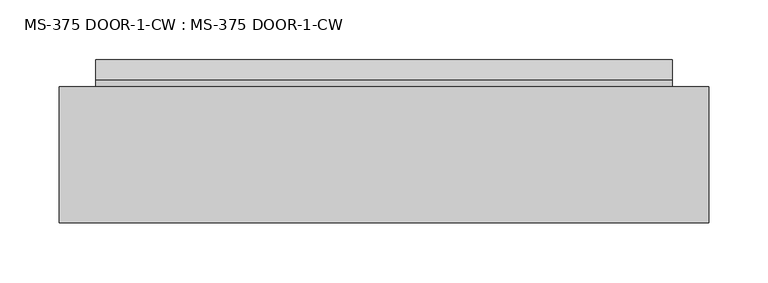
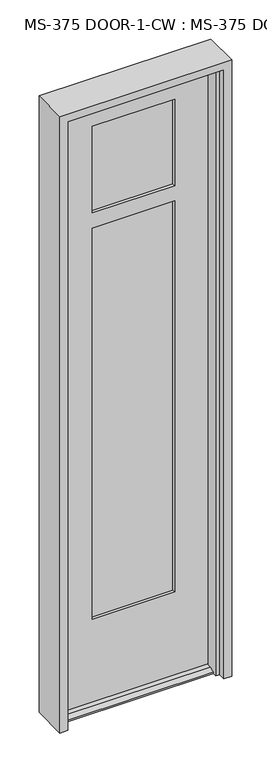
"""IFC4 building model written with IfcOpenShell, lengths in millimetres: plate geometry, MS-375 DOOR-1-CW : MS-375 DOOR-1-CW."""

import ifcopenshell
import ifcopenshell.guid

model = None  # the IFC model being written
_history = None  # IfcOwnerHistory: only IFC2X3 demands one
_inside = {}  # id of a spatial element -> (the spatial element, [elements in it])
_under = {}  # id of a project, library or spatial element -> (it, [spatial elements below it])
_declared = {}  # id of a project -> (the project, [libraries it declares])
_typed = {}  # id of a type object -> (the type object, [elements of that type])
_made_of = {}  # id of a material, layer set ... -> (it, [elements and type objects made of it])


def new_model(schema):
    """Start an empty IFC model of exactly this schema.

    Asked for "IFC4X3", IfcOpenShell would pick the latest addendum, in which some entities
    have other attributes; the version numbers below select the first issue.
    IFC2X3 requires an IfcOwnerHistory on every rooted entity: one is made here for all.
    """
    global model, _history
    if schema == "IFC4X3":
        model = ifcopenshell.file(schema_version=(4, 3, 0, 0))
    else:
        model = ifcopenshell.file(schema=schema)
    _inside.clear()
    _under.clear()
    _declared.clear()
    _typed.clear()
    _made_of.clear()
    _history = None
    if model.schema == "IFC2X3":
        org = make("IfcOrganization", Name="unknown")
        user = make(
            "IfcPersonAndOrganization",
            ThePerson=make("IfcPerson", FamilyName="unknown"),
            TheOrganization=org,
        )
        app = make(
            "IfcApplication",
            ApplicationDeveloper=org,
            Version="unknown",
            ApplicationFullName="unknown",
            ApplicationIdentifier="unknown",
        )
        _history = make(
            "IfcOwnerHistory",
            OwningUser=user,
            OwningApplication=app,
            ChangeAction="ADDED",
            CreationDate=0,
        )
    return model


def make(cls, **values):
    """One entity of the class cls with the attributes given. An attribute that is None is left unset."""
    return model.create_entity(
        cls, **{name: value for name, value in values.items() if value is not None}
    )


def rooted(cls, **values):
    """An entity with a GlobalId (a new one), such as an element, a storey or a relation."""
    return make(cls, GlobalId=ifcopenshell.guid.new(), OwnerHistory=_history, **values)


def si_unit(unit_type, name, prefix=None):
    """IfcSIUnit, for example si_unit("LENGTHUNIT", "METRE", prefix="MILLI")."""
    return make("IfcSIUnit", UnitType=unit_type, Prefix=prefix, Name=name)


def assignment(units):
    """IfcUnitAssignment: the units of a project."""
    return None if units is None else make("IfcUnitAssignment", Units=units)


def point(xyz):
    """IfcCartesianPoint."""
    return None if xyz is None else make("IfcCartesianPoint", Coordinates=xyz)


def direction(xyz):
    """IfcDirection."""
    return None if xyz is None else make("IfcDirection", DirectionRatios=xyz)


def frame(location, z_axis=None, x_axis=None):
    """IfcAxis2Placement3D, a coordinate frame: its origin and axes. An axis left out is left unset."""
    return make(
        "IfcAxis2Placement3D",
        Location=point(location),
        Axis=direction(z_axis),
        RefDirection=direction(x_axis),
    )


def origin():
    """The frame at (0, 0, 0) with its axes left unset."""
    return frame((0.0, 0.0, 0.0))


def place(relative_to, where):
    """IfcLocalPlacement: puts the frame where relative to a parent placement (None: the world)."""
    return make(
        "IfcLocalPlacement", PlacementRelTo=relative_to, RelativePlacement=where
    )


def context(
    kind, dimensions, precision=None, world=None, true_north=None, identifier=None
):
    """IfcGeometricRepresentationContext, for example the 3D "Model" context."""
    return make(
        "IfcGeometricRepresentationContext",
        ContextIdentifier=identifier,
        ContextType=kind,
        CoordinateSpaceDimension=dimensions,
        Precision=precision,
        WorldCoordinateSystem=world,
        TrueNorth=true_north,
    )


def project(units=None, contexts=None):
    """IfcProject with its units and contexts."""
    return rooted(
        "IfcProject",
        Name="project",
        RepresentationContexts=contexts,
        UnitsInContext=assignment(units),
    )


def spatial(cls, under=None, at=None, **own):
    """A site, building, storey or space (cls), placed at a placement, below another one or the project."""
    s = rooted(cls, ObjectPlacement=at, **own)
    if under is not None:
        _under.setdefault(under.id(), (under, []))[1].append(s)
    return s


def polyline(points):
    """IfcPolyline through the points."""
    return make("IfcPolyline", Points=[point(p) for p in points])


def outline(outer, holes=None, kind="AREA"):
    """IfcArbitraryClosedProfileDef: a profile drawn as a closed curve; with holes, ...WithVoids."""
    if holes is None:
        return make("IfcArbitraryClosedProfileDef", ProfileType=kind, OuterCurve=outer)
    return make(
        "IfcArbitraryProfileDefWithVoids",
        ProfileType=kind,
        OuterCurve=outer,
        InnerCurves=holes,
    )


def extrude(swept, where, along, depth):
    """IfcExtrudedAreaSolid: the profile swept, set in the frame where, extruded along a direction by depth."""
    return make(
        "IfcExtrudedAreaSolid",
        SweptArea=swept,
        Position=where,
        ExtrudedDirection=direction(along),
        Depth=depth,
    )


def faces_of(points, faces, orient=None, outer=None):
    """IfcFace entities. A face is a list of loops; a loop is a list of indices into points, from 0.

    orient and outer hold one flag for each loop. By default every Orientation is true, the
    first loop of a face is its IfcFaceOuterBound and the others are IfcFaceBound.
    """
    made = []
    for i, loops in enumerate(faces):
        bounds = []
        for j, loop in enumerate(loops):
            is_outer = j == 0 if outer is None else outer[i][j]
            bounds.append(
                make(
                    "IfcFaceOuterBound" if is_outer else "IfcFaceBound",
                    Bound=make("IfcPolyLoop", Polygon=[points[k] for k in loop]),
                    Orientation=True if orient is None else orient[i][j],
                )
            )
        made.append(make("IfcFace", Bounds=bounds))
    return made


def faceted_brep(points, faces, orient=None, outer=None, voids=None):
    """IfcFacetedBrep: a solid bounded by flat faces; with voids (closed shells), ...WithVoids."""
    shared = [point(p) for p in points]
    hull = make("IfcClosedShell", CfsFaces=faces_of(shared, faces, orient, outer))
    if voids is None:
        return make("IfcFacetedBrep", Outer=hull)
    return make(
        "IfcFacetedBrepWithVoids",
        Outer=hull,
        Voids=[
            make(cls, CfsFaces=faces_of(shared, fs, o, b)) for cls, fs, o, b in voids
        ],
    )


def shape(context_of_items, identifier, shape_type, items):
    """IfcShapeRepresentation: the items that make up one representation, for example the "Body"."""
    return make(
        "IfcShapeRepresentation",
        ContextOfItems=context_of_items,
        RepresentationIdentifier=identifier,
        RepresentationType=shape_type,
        Items=items,
    )


def source(mapping_origin, context_of_items, identifier, shape_type, items):
    """IfcRepresentationMap: a shape defined once, which mapped items show again and again."""
    return make(
        "IfcRepresentationMap",
        MappingOrigin=mapping_origin,
        MappedRepresentation=shape(context_of_items, identifier, shape_type, items),
    )


def transform(
    local_origin,
    x_axis=None,
    y_axis=None,
    z_axis=None,
    scale=None,
    scale2=None,
    scale3=None,
    uniform=True,
):
    """IfcCartesianTransformationOperator3D, or its non-uniform kind. x_axis, y_axis, z_axis: its Axis1, 2, 3."""
    if uniform:
        return make(
            "IfcCartesianTransformationOperator3D",
            Axis1=direction(x_axis),
            Axis2=direction(y_axis),
            LocalOrigin=point(local_origin),
            Scale=scale,
            Axis3=direction(z_axis),
        )
    return make(
        "IfcCartesianTransformationOperator3DnonUniform",
        Axis1=direction(x_axis),
        Axis2=direction(y_axis),
        LocalOrigin=point(local_origin),
        Scale=scale,
        Axis3=direction(z_axis),
        Scale2=scale2,
        Scale3=scale3,
    )


def mapped(mapping_source, mapping_target):
    """IfcMappedItem: shows the shape of a source again, moved by a transform."""
    return make(
        "IfcMappedItem", MappingSource=mapping_source, MappingTarget=mapping_target
    )


def made_of(thing, what):
    """Note that an element or type object is made of a material, layer set ...; save() writes the relation."""
    if what is not None:
        _made_of.setdefault(what.id(), (what, []))[1].append(thing)
    return thing


def element(
    cls,
    number,
    at=None,
    inside=None,
    cuts=None,
    type_object=None,
    material=None,
    context=None,
    identifier="Body",
    shape_type=None,
    held_by="IfcProductDefinitionShape",
    body=None,
    shapes=None,
    **own,
):
    """One element of the class cls, such as IfcWall. Its Tag is "e" and its number.

    at: its placement. inside: the storey or other place that contains it. cuts: it is an
    opening in that element (IfcRelVoidsElement). A single representation is given by context,
    identifier, shape_type and body (its items); several are given by shapes. held_by: the class
    of the entity that holds the representations. save() writes the other relations.
    """
    e = rooted(cls, Tag="e%d" % number, ObjectPlacement=at, **own)
    if body is not None:
        shapes = [shape(context, identifier, shape_type, body)]
    if shapes is not None:
        e.Representation = make(held_by, Representations=shapes)
    if inside is not None:
        _inside.setdefault(inside.id(), (inside, []))[1].append(e)
    if cuts is not None:
        rooted(
            "IfcRelVoidsElement", RelatingBuildingElement=cuts, RelatedOpeningElement=e
        )
    if type_object is not None:
        _typed.setdefault(type_object.id(), (type_object, []))[1].append(e)
    return made_of(e, material)


def aggregate(whole, parts):
    """IfcRelAggregates: a whole, such as a stair, and the parts it consists of."""
    return rooted("IfcRelAggregates", RelatingObject=whole, RelatedObjects=parts)


def save(model, path):
    """Write the relations noted so far, then the file.

    IfcRelAggregates (storeys below a building ...), IfcRelContainedInSpatialStructure (elements
    in a storey), IfcRelDefinesByType, IfcRelAssociatesMaterial and IfcRelDeclares: one each for
    every whole, place, type object, material and project.
    """
    for whole, parts in _under.values():
        aggregate(whole, parts)
    for where, things in _inside.values():
        rooted(
            "IfcRelContainedInSpatialStructure",
            RelatedElements=things,
            RelatingStructure=where,
        )
    for kind, things in _typed.values():
        rooted("IfcRelDefinesByType", RelatedObjects=things, RelatingType=kind)
    for what, things in _made_of.values():
        rooted("IfcRelAssociatesMaterial", RelatedObjects=things, RelatingMaterial=what)
    for by, libraries in _declared.values():
        rooted("IfcRelDeclares", RelatingContext=by, RelatedDefinitions=libraries)
    model.write(path)


def ms_375_door_1_cw_ms_375_door_1_cw_cf33dda2(model_context):
    return source(origin(), model_context, "Body", "SolidModel", [
        faceted_brep([(242.62183, -45.24375, 12.7), (242.62183, -61.8934954, 12.7), (242.62183, -78.5813408, 4.9183299), (242.62183, -78.5813408, 0.0003044), (242.62183, -45.24375, 0.0003044), (242.62183, 23.01875, 0.0003044), (242.62183, 23.01875, 4.9183299), (242.62183, 6.3309046, 12.7), (242.62183, -0.79375, 12.7), (242.62183, -0.79375, 0.0003044), (-242.37847, -0.79375, 12.7), (-242.37847, 6.3309046, 12.7), (-242.37847, 23.01875, 4.9183299), (-242.37847, 23.01875, 0.0003044), (-242.37847, -0.79375, 0.0003044), (-242.37847, -78.5813408, 0.0003044), (-242.37847, -78.5813408, 4.9183299), (-242.37847, -61.8934954, 12.7), (-242.37847, -45.24375, 12.7), (-242.37847, -45.24375, 0.0003044), (245.39043, -45.24375, 2041.9314), (242.62183, -0.79375, 2041.9314), (-245.14707, -0.79375, 2041.9314), (-242.37847, -45.24375, 2041.9314), (131.09043, -0.79375, 1945.88765), (131.09043, -10.31875, 1945.88765), (-130.84707, -10.31875, 1945.88765), (-130.84707, -0.79375, 1945.88765), (138.23418, -10.31875, 1953.0314), (138.23418, -35.71875, 1953.0314), (-137.99082, -35.71875, 1953.0314), (-137.99082, -10.31875, 1953.0314), (131.09043, -35.71875, 1945.88765), (131.09043, -45.24375, 1945.88765), (-130.84707, -45.24375, 1945.88765), (-130.84707, -35.71875, 1945.88765), (138.23418, -35.71875, 1611.7189), (-137.99082, -35.71875, 1611.7189), (-137.99082, -10.31875, 1611.7189), (138.23418, -10.31875, 1611.7189), (-130.84707, -0.79375, 1604.57515), (131.09043, -0.79375, 1604.57515), (131.09043, -10.31875, 1604.57515), (-130.84707, -10.31875, 1604.57515), (131.09043, -0.79375, 1655.37515), (-130.84707, -0.79375, 1655.37515), (-130.84707, -10.31875, 1655.37515), (131.09043, -10.31875, 1655.37515), (-137.99082, -35.71875, 1648.2314), (138.23418, -35.71875, 1648.2314), (138.23418, -10.31875, 1648.2314), (-137.99082, -10.31875, 1648.2314), (131.09043, -35.71875, 1655.37515), (-130.84707, -35.71875, 1655.37515), (-130.84707, -45.24375, 1655.37515), (131.09043, -45.24375, 1655.37515), (-130.84707, -35.71875, 1604.57515), (131.09043, -35.71875, 1604.57515), (131.09043, -45.24375, 1604.57515), (-130.84707, -45.24375, 1604.57515), (138.23418, -35.71875, 283.36875), (138.23418, -10.31875, 283.36875), (-137.99082, -10.31875, 283.36875), (-137.99082, -35.71875, 283.36875), (-130.84707, -35.71875, 290.5125), (131.09043, -35.71875, 290.5125), (131.09043, -45.24375, 290.5125), (-130.84707, -45.24375, 290.5125), (245.39043, -45.24375, 0.0), (-245.14707, -0.79375, 0.0003044), (-130.84707, -0.79375, 290.5125), (131.09043, -0.79375, 290.5125), (131.09043, -10.31875, 290.5125), (-130.84707, -10.31875, 290.5125)], [[[0, 1, 2, 3, 4]], [[5, 6, 7, 8, 9]], [[10, 11, 12, 13, 14]], [[15, 16, 17, 18, 19]], [[20, 21, 22, 23]], [[24, 25, 26, 27]], [[28, 29, 30, 31]], [[32, 33, 34, 35]], [[36, 37, 38, 39]], [[40, 41, 42, 43]], [[44, 45, 46, 47]], [[48, 49, 50, 51]], [[52, 53, 54, 55]], [[56, 57, 58, 59]], [[60, 61, 62, 63]], [[30, 29, 49, 48], [32, 35, 53, 52]], [[60, 63, 37, 36], [64, 65, 57, 56]], [[66, 65, 64, 67]], [[68, 20, 23, 18, 0, 4], [34, 33, 55, 54], [67, 59, 58, 66]], [[1, 0, 18, 17]], [[2, 1, 17, 16]], [[3, 2, 16, 15]], [[3, 15, 19, 69, 14, 13, 5, 9, 68, 4]], [[6, 5, 13, 12]], [[7, 6, 12, 11]], [[8, 7, 11, 10]], [[69, 22, 21, 8, 10, 14], [27, 45, 44, 24], [70, 71, 41, 40]], [[72, 71, 70, 73]], [[28, 31, 51, 50], [26, 25, 47, 46]], [[62, 61, 39, 38], [72, 73, 43, 42]], [[18, 23, 22, 69, 19]], [[35, 34, 54, 53]], [[67, 64, 56, 59]], [[37, 63, 62, 38]], [[51, 31, 30, 48]], [[27, 26, 46, 45]], [[73, 70, 40, 43]], [[25, 24, 44, 47]], [[71, 72, 42, 41]], [[49, 29, 28, 50]], [[39, 61, 60, 36]], [[33, 32, 52, 55]], [[65, 66, 58, 57]], [[8, 21, 20, 68, 9]]]),
        extrude(outline(polyline([(138.23418, -35.71875), (-137.99082, -35.71875), (-137.99082, -29.41955), (138.23418, -29.41955), (138.23418, -35.71875)])), frame((0.0, 0.0, 1648.2314), z_axis=(0.0, 0.0, 1.0), x_axis=(1.0, 0.0, 0.0)), (0.0, 0.0, 1.0), 304.8),
        extrude(outline(polyline([(-137.99082, -10.31875), (138.23418, -10.31875), (138.23418, -16.61795), (-137.99082, -16.61795), (-137.99082, -10.31875)])), frame((0.0, 0.0, 1648.2314), z_axis=(0.0, 0.0, 1.0), x_axis=(1.0, 0.0, 0.0)), (0.0, 0.0, 1.0), 304.8),
        extrude(outline(polyline([(-137.99082, -16.61795), (-137.99082, -10.31875), (138.23418, -10.31875), (138.23418, -16.61795), (-137.99082, -16.61795)])), frame((0.0, 0.0, 283.36875), z_axis=(0.0, 0.0, 1.0), x_axis=(1.0, 0.0, 0.0)), (0.0, 0.0, 1.0), 1328.35015),
        extrude(outline(polyline([(-137.99082, -35.71875), (-137.99082, -29.41955), (138.23418, -29.41955), (138.23418, -35.71875), (-137.99082, -35.71875)])), frame((0.0, 0.0, 283.36875), z_axis=(0.0, 0.0, 1.0), x_axis=(1.0, 0.0, 0.0)), (0.0, 0.0, 1.0), 1328.35015),
        faceted_brep([(234.95, -50.038, 0.0), (247.65, -50.038, 0.0), (247.65, 0.0, 0.0), (273.05, 0.0, 0.0), (273.05, -114.3, 0.0), (247.65, -114.3, 0.0), (247.65, -91.313, 0.0), (234.95, -91.313, 0.0), (273.05, -114.3, 2070.5064), (273.05, 0.0, 2070.5064), (-273.05, 0.0, 2070.5064), (-273.05, -114.3, 2070.5064), (234.95, -50.038, 2032.4064), (-234.95, -50.038, 2032.4064), (-234.95, -50.038, 0.0), (-247.65, -50.038, 0.0), (-247.65, -50.038, 2045.1064), (247.65, -50.038, 2045.1064), (247.65, 0.0, 2045.1064), (-247.65, 0.0, 2045.1064), (-247.65, 0.0, 0.0), (-273.05, 0.0, 0.0), (-273.05, -114.3, 0.0), (-247.65, -114.3, 0.0), (-247.65, -114.3, 2045.1064), (247.65, -114.3, 2045.1064), (247.65, -91.313, 2045.1064), (-247.65, -91.313, 2045.1064), (-247.65, -91.313, 0.0), (-234.95, -91.313, 0.0), (-234.95, -91.313, 2032.4064), (234.95, -91.313, 2032.4064)], [[[0, 1, 2, 3, 4, 5, 6, 7]], [[8, 9, 10, 11]], [[1, 0, 12, 13, 14, 15, 16, 17]], [[2, 1, 17, 18]], [[3, 2, 18, 19, 20, 21, 10, 9]], [[8, 4, 3, 9]], [[5, 4, 8, 11, 22, 23, 24, 25]], [[26, 6, 5, 25]], [[7, 6, 26, 27, 28, 29, 30, 31]], [[0, 7, 31, 12]], [[14, 29, 28, 23, 22, 21, 20, 15]], [[29, 14, 13, 30]], [[23, 28, 27, 24]], [[10, 21, 22, 11]], [[16, 15, 20, 19]], [[27, 26, 25, 24]], [[17, 16, 19, 18]], [[13, 12, 31, 30]]]),
    ])


if __name__ == "__main__":
    model = new_model("IFC4")
    model_context = context("Model", 3, world=origin())
    ifc_project = project(units=[si_unit("LENGTHUNIT", "METRE", prefix="MILLI")], contexts=[model_context])
    site = spatial("IfcSite", under=ifc_project)
    building = spatial("IfcBuilding", under=site)
    placement = place(None, origin())
    ms_375_door_1_cw_ms_375_door_1_cw_shape = ms_375_door_1_cw_ms_375_door_1_cw_cf33dda2(model_context)
    element("IfcPlate", 1, ObjectType="MS-375 DOOR-1-CW : MS-375 DOOR-1-CW", at=placement, inside=building, context=model_context, shape_type="MappedRepresentation", body=[
        mapped(ms_375_door_1_cw_ms_375_door_1_cw_shape, transform((0.0, 0.0, 0.0), x_axis=(1.0, 0.0, 0.0), y_axis=(0.0, 1.0, 0.0), z_axis=(0.0, 0.0, 1.0))),
    ])
    save(model, "model.ifc")
